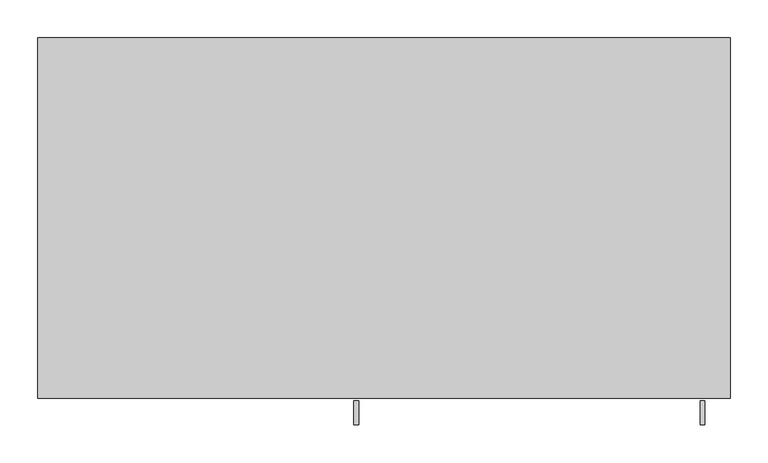
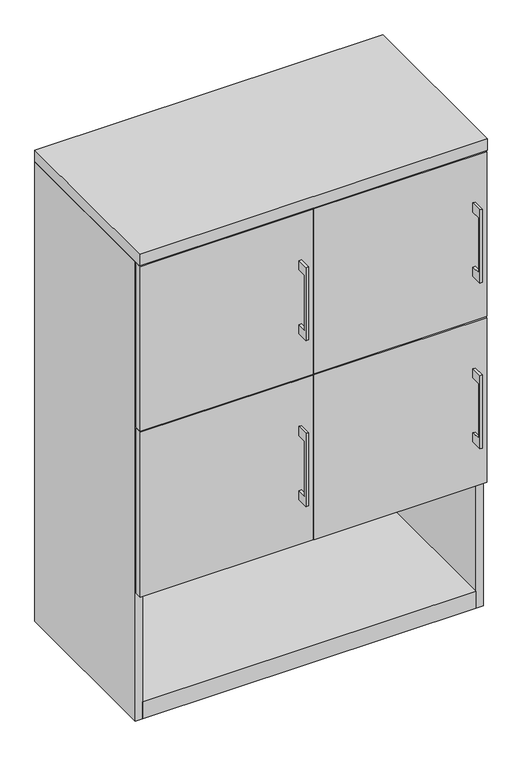
"""IFC4 building model written with IfcOpenShell, lengths in millimetres: furniture geometry."""

from ifc_helpers import new_model, si_unit, frame, origin, origin_with_axes, place, context, project, spatial, polyline, outline, extrude, source, transform, mapped, element, save


def furniture_abecf14b(model_context):
    return source(origin(), model_context, "Body", "SweptSolid", [
        extrude(outline(polyline([(-479.425, 1120.775), (-504.8249758, 1120.775), (-504.8249758, 968.375), (-479.425, 968.375), (-479.425, 942.975), (-511.1749879, 942.975), (-511.1749879, 1146.175), (-479.425, 1146.175), (-479.425, 1120.775)])), frame((417.5125121, 0.0, 0.0), z_axis=(1.0, 0.0, 0.0), x_axis=(0.0, 1.0, 0.0)), (0.0, 0.0, 1.0), 6.3499758),
        extrude(outline(polyline([(455.6125, -476.25), (1.5875, -476.25), (1.5875, -457.2), (455.6125, -457.2), (455.6125, -476.25)])), frame((0.0, 0.0, 815.975), z_axis=(0.0, 0.0, 1.0), x_axis=(1.0, 0.0, 0.0)), (0.0, 0.0, 1.0), 457.2),
        extrude(outline(polyline([(-479.425, 1120.775), (-504.8249758, 1120.775), (-504.8249758, 968.375), (-479.425, 968.375), (-479.425, 942.975), (-511.1749879, 942.975), (-511.1749879, 1146.175), (-479.425, 1146.175), (-479.425, 1120.775)])), frame((-39.6874879, 0.0, 0.0), z_axis=(1.0, 0.0, 0.0), x_axis=(0.0, 1.0, 0.0)), (0.0, 0.0, 1.0), 6.3499758),
        extrude(outline(polyline([(-1.5875, -476.25), (-455.6125, -476.25), (-455.6125, -457.2), (-1.5875, -457.2), (-1.5875, -476.25)])), frame((0.0, 0.0, 815.975), z_axis=(0.0, 0.0, 1.0), x_axis=(1.0, 0.0, 0.0)), (0.0, 0.0, 1.0), 457.2),
        extrude(outline(polyline([(-479.425, 660.4), (-504.8249758, 660.4), (-504.8249758, 508.0), (-479.425, 508.0), (-479.425, 482.6), (-511.1749879, 482.6), (-511.1749879, 685.8), (-479.425, 685.8), (-479.425, 660.4)])), frame((417.5125121, 0.0, 0.0), z_axis=(1.0, 0.0, 0.0), x_axis=(0.0, 1.0, 0.0)), (0.0, 0.0, 1.0), 6.3499758),
        extrude(outline(polyline([(455.6125, -476.25), (1.5875, -476.25), (1.5875, -457.2), (455.6125, -457.2), (455.6125, -476.25)])), frame((0.0, 0.0, 355.6), z_axis=(0.0, 0.0, 1.0), x_axis=(1.0, 0.0, 0.0)), (0.0, 0.0, 1.0), 457.2),
        extrude(outline(polyline([(-479.425, 660.4), (-504.8249758, 660.4), (-504.8249758, 508.0), (-479.425, 508.0), (-479.425, 482.6), (-511.1749879, 482.6), (-511.1749879, 685.8), (-479.425, 685.8), (-479.425, 660.4)])), frame((-39.6874879, 0.0, 0.0), z_axis=(1.0, 0.0, 0.0), x_axis=(0.0, 1.0, 0.0)), (0.0, 0.0, 1.0), 6.3499758),
        extrude(outline(polyline([(-1.5875, -476.25), (-455.6125, -476.25), (-455.6125, -457.2), (-1.5875, -457.2), (-1.5875, -476.25)])), frame((0.0, 0.0, 355.6), z_axis=(0.0, 0.0, 1.0), x_axis=(1.0, 0.0, 0.0)), (0.0, 0.0, 1.0), 457.2),
        extrude(outline(polyline([(438.15, -19.05), (438.15, -457.2), (-438.15, -457.2), (-438.15, -19.05), (438.15, -19.05)])), frame((0.0, 0.0, 352.425), z_axis=(0.0, 0.0, 1.0), x_axis=(1.0, 0.0, 0.0)), (0.0, 0.0, 1.0), 19.05),
        extrude(outline(polyline([(9.525, -19.05), (9.525, -457.2), (-9.525, -457.2), (-9.525, -19.05), (9.525, -19.05)])), frame((0.0, 0.0, 371.475), z_axis=(0.0, 0.0, 1.0), x_axis=(1.0, 0.0, 0.0)), (0.0, 0.0, 1.0), 904.875),
        extrude(outline(polyline([(438.15, -19.05), (438.15, -457.2), (-438.15, -457.2), (-438.15, -19.05), (438.15, -19.05)])), origin_with_axes(), (0.0, 0.0, 1.0), 47.625),
        extrude(outline(polyline([(457.2, 0.0), (457.2, -476.25), (-457.2, -476.25), (-457.2, 0.0), (457.2, 0.0)])), frame((0.0, 0.0, 1276.35), z_axis=(0.0, 0.0, 1.0), x_axis=(1.0, 0.0, 0.0)), (0.0, 0.0, 1.0), 31.75),
        extrude(outline(polyline([(457.2, 0.0), (457.2, -457.2), (438.15, -457.2), (438.15, -19.05), (-438.15, -19.05), (-438.15, -457.2), (-457.2, -457.2), (-457.2, 0.0), (457.2, 0.0)])), origin_with_axes(), (0.0, 0.0, 1.0), 1276.35),
    ])


if __name__ == "__main__":
    model = new_model("IFC4")
    model_context = context("Model", 3, world=origin())
    ifc_project = project(units=[si_unit("LENGTHUNIT", "METRE", prefix="MILLI")], contexts=[model_context])
    site = spatial("IfcSite", under=ifc_project)
    building = spatial("IfcBuilding", under=site)
    placement = place(None, origin())
    furniture_shape = furniture_abecf14b(model_context)
    element("IfcFurniture", 1, at=placement, inside=building, context=model_context, shape_type="MappedRepresentation", body=[
        mapped(furniture_shape, transform((0.0, 0.0, 0.0), x_axis=(1.0, 0.0, 0.0), y_axis=(0.0, 1.0, 0.0), z_axis=(0.0, 0.0, 1.0))),
    ])
    save(model, "model.ifc")
